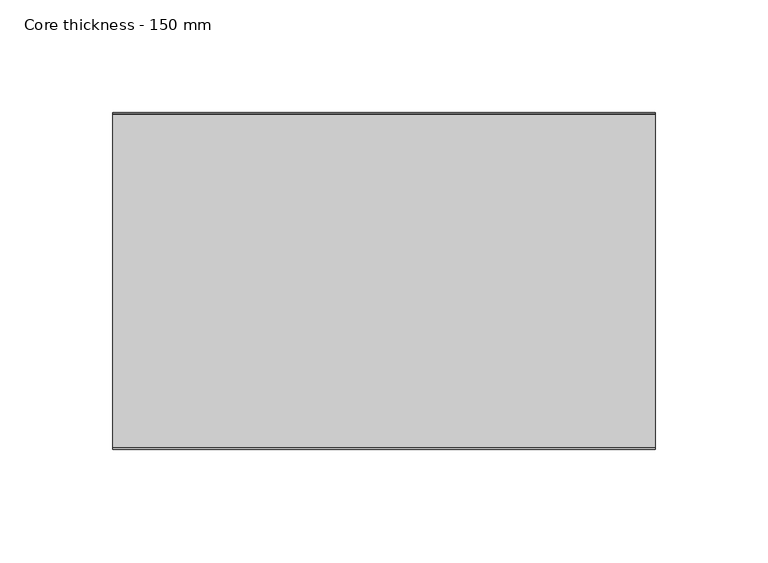
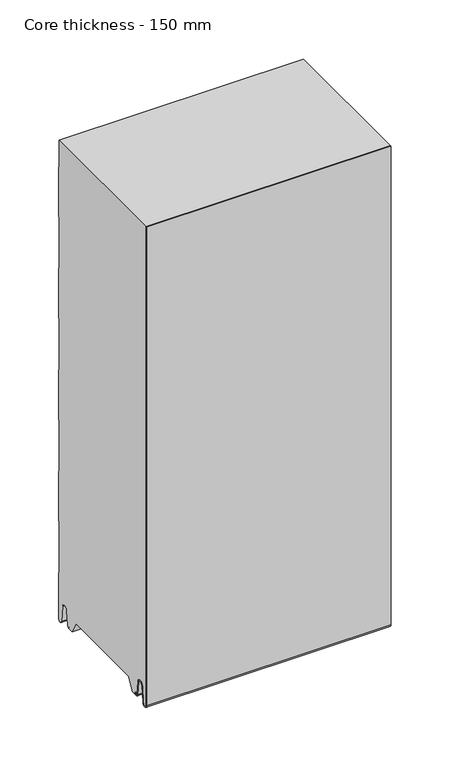
"""IFC4 building model written with IfcOpenShell, lengths in millimetres: plate geometry, Core thickness - 150 mm."""

from ifc_helpers import new_model, si_unit, frame, origin, place, context, project, spatial, polyline, circle_curve, source, transform, mapped, element, save
from ifc_brep_helpers import plane_surface, cylinder_surface, revolved_surface, advanced_brep


def core_thickness_150_mm_6f1057b2(model_context):
    return source(origin(), model_context, "Body", "AdvancedBrep", [
        advanced_brep(
        [(119.9999998, -149.9996949, 3.0900682), (119.9999998, -143.81449, 2.7875612), (119.9999998, -142.197116, 19.2828169), (119.9999998, -139.1776715, 21.9898782), (119.9999998, -136.1582271, 19.2828169), (119.9999998, -134.7725998, 5.1510966), (119.9999998, -130.3830995, 5.365779), (119.9999998, -131.1830995, 5.365779), (119.9999998, -133.9764178, 5.2291629), (119.9999998, -135.3620451, 19.3608832), (119.9999998, -139.1776715, 22.7899182), (119.9999998, -142.9932979, 19.3608832), (119.9999998, -144.6106719, 2.8656275), (119.9999998, -149.1996949, 3.0900682), (119.9999998, -149.2, 500.0), (119.9999998, -149.9996949, 500.0), (-119.9999998, -149.1996949, 3.0900682), (-119.9999998, -144.6106719, 2.8656275), (-119.9999998, -142.9932979, 19.3608832), (-119.9999998, -139.1776715, 22.7899182), (-119.9999998, -135.3620451, 19.3608832), (-119.9999998, -133.9764178, 5.2291629), (-119.9999998, -131.1830995, 5.365779), (-119.9999998, -130.3830995, 5.365779), (-119.9999998, -134.7725998, 5.1510966), (-119.9999998, -136.1582271, 19.2828169), (-119.9999998, -139.1776715, 21.9898782), (-119.9999998, -142.197116, 19.2828169), (-119.9999998, -143.81449, 2.7875612), (-119.9999998, -149.9996949, 3.0900682), (-119.9999998, -149.9996949, 500.0), (-119.9999998, -149.2, 500.0)],
        [
            (0, 1, circle_curve(frame((119.9999998, -146.8996949, 3.0900682), z_axis=(1.0, 0.0, 0.0), x_axis=(0.0, 0.0, -1.0)), 3.1)),
            (1, 2),
            (2, 3, circle_curve(frame((119.9999998, -139.2114338, 18.9900682), z_axis=(-1.0, 0.0, 0.0), x_axis=(0.0, 0.0, -1.0)), 3.0)),
            (3, 4, circle_curve(frame((119.9999998, -139.1439093, 18.9900682), z_axis=(-1.0, 0.0, 0.0), x_axis=(0.0, 0.0, -1.0)), 3.0)),
            (4, 5),
            (5, 6, circle_curve(frame((119.9999998, -132.5830995, 5.365779), z_axis=(1.0, 0.0, 0.0), x_axis=(0.0, 0.0, -1.0)), 2.2)),
            (6, 7),
            (7, 8, circle_curve(frame((119.9999998, -132.5830995, 5.365779), z_axis=(-1.0, 0.0, 0.0), x_axis=(0.0, 0.0, -1.0)), 1.4)),
            (8, 9),
            (9, 10, circle_curve(frame((119.9999998, -139.1439093, 18.9900682), z_axis=(1.0, 0.0, 0.0), x_axis=(0.0, 0.0, -1.0)), 3.8)),
            (10, 11, circle_curve(frame((119.9999998, -139.2114338, 18.9900682), z_axis=(1.0, 0.0, 0.0), x_axis=(0.0, 0.0, -1.0)), 3.8)),
            (11, 12),
            (12, 13, circle_curve(frame((119.9999998, -146.8996949, 3.0900682), z_axis=(-1.0, 0.0, 0.0), x_axis=(0.0, 0.0, -1.0)), 2.3)),
            (13, 14),
            (14, 15),
            (15, 0),
            (16, 17, circle_curve(frame((-119.9999998, -146.8996949, 3.0900682), z_axis=(1.0, 0.0, 0.0), x_axis=(0.0, 0.0, -1.0)), 2.3)),
            (17, 18),
            (18, 19, circle_curve(frame((-119.9999998, -139.2114338, 18.9900682), z_axis=(-1.0, 0.0, 0.0), x_axis=(0.0, 0.0, -1.0)), 3.8)),
            (19, 20, circle_curve(frame((-119.9999998, -139.1439093, 18.9900682), z_axis=(-1.0, 0.0, 0.0), x_axis=(0.0, 0.0, -1.0)), 3.8)),
            (20, 21),
            (21, 22, circle_curve(frame((-119.9999998, -132.5830995, 5.365779), z_axis=(1.0, 0.0, 0.0), x_axis=(0.0, 0.0, -1.0)), 1.4)),
            (22, 23),
            (23, 24, circle_curve(frame((-119.9999998, -132.5830995, 5.365779), z_axis=(-1.0, 0.0, 0.0), x_axis=(0.0, 0.0, -1.0)), 2.2)),
            (24, 25),
            (25, 26, circle_curve(frame((-119.9999998, -139.1439093, 18.9900682), z_axis=(1.0, 0.0, 0.0), x_axis=(0.0, 0.0, -1.0)), 3.0)),
            (26, 27, circle_curve(frame((-119.9999998, -139.2114338, 18.9900682), z_axis=(1.0, 0.0, 0.0), x_axis=(0.0, 0.0, -1.0)), 3.0)),
            (27, 28),
            (28, 29, circle_curve(frame((-119.9999998, -146.8996949, 3.0900682), z_axis=(-1.0, 0.0, 0.0), x_axis=(0.0, 0.0, -1.0)), 3.1)),
            (29, 30),
            (30, 31),
            (31, 16),
            (13, 16),
            (31, 14),
            (12, 17),
            (11, 18),
            (10, 19),
            (9, 20),
            (8, 21),
            (7, 22),
            (6, 23),
            (5, 24),
            (4, 25),
            (3, 26),
            (2, 27),
            (1, 28),
            (0, 29),
            (15, 30),
        ],
        [
            plane_surface(frame((119.9999998, -150.0, 0.0), z_axis=(1.0, 0.0, 0.0), x_axis=(0.0, 1.0, 0.0))),
            plane_surface(frame((-119.9999998, -150.0, 0.0), z_axis=(-1.0, 0.0, 0.0), x_axis=(0.0, 1.0, 0.0))),
            plane_surface(frame((119.9999998, -149.2, 3.0900682), z_axis=(0.0, 1.0, 0.0), x_axis=(-1.0, 0.0, 0.0))),
            revolved_surface(polyline([(-119.9999998, -146.8996949, 0.7900682000000003), (119.9999998, -146.8996949, 0.7900682000000003)]), (119.9999998, -146.8996949, 3.0900682), (-1.0, 0.0, 0.0)),
            plane_surface(frame((119.9999998, -142.9932979, 19.3608832), z_axis=(0.0, -0.9952273999818314, 0.09758289975914787), x_axis=(-1.0, 0.0, 0.0))),
            cylinder_surface(frame((119.9999998, -139.2114338, 18.9900682), z_axis=(1.0, 0.0, 0.0), x_axis=(0.0, 0.0, -1.0)), 3.8),
            cylinder_surface(frame((119.9999998, -139.1439093, 18.9900682), z_axis=(1.0, 0.0, 0.0), x_axis=(0.0, 0.0, -1.0)), 3.8),
            plane_surface(frame((119.9999998, -133.9764178, 5.2291629), z_axis=(0.0, 0.9952273999818297, 0.09758289975916531), x_axis=(-1.0, 0.0, 0.0))),
            revolved_surface(polyline([(-119.9999998, -132.5830995, 3.965779), (119.9999998, -132.5830995, 3.965779)]), (119.9999998, -132.5830995, 5.365779), (-1.0, 0.0, 0.0)),
            plane_surface(frame((119.9999998, -130.3830995, 5.365779), z_axis=(0.0, 0.0, 1.0), x_axis=(-1.0, 0.0, 0.0))),
            cylinder_surface(frame((119.9999998, -132.5830995, 5.365779), z_axis=(1.0, 0.0, 0.0), x_axis=(0.0, 0.0, -1.0)), 2.2),
            plane_surface(frame((119.9999998, -136.1582271, 19.2828169), z_axis=(0.0, -0.9952273999818296, -0.09758289975916527), x_axis=(-1.0, 0.0, 0.0))),
            revolved_surface(polyline([(-119.9999998, -139.1439093, 15.9900682), (119.9999998, -139.1439093, 15.9900682)]), (119.9999998, -139.1439093, 18.9900682), (-1.0, 0.0, 0.0)),
            revolved_surface(polyline([(-119.9999998, -139.2114338, 15.9900682), (119.9999998, -139.2114338, 15.9900682)]), (119.9999998, -139.2114338, 18.9900682), (-1.0, 0.0, 0.0)),
            plane_surface(frame((119.9999998, -143.81449, 2.7875612), z_axis=(0.0, 0.9952273999818314, -0.09758289975914787), x_axis=(-1.0, 0.0, 0.0))),
            cylinder_surface(frame((119.9999998, -146.8996949, 3.0900682), z_axis=(1.0, 0.0, 0.0), x_axis=(0.0, 0.0, -1.0)), 3.1),
            plane_surface(frame((119.9999998, -149.9996949, 993.9000005), z_axis=(0.0, -1.0, 0.0), x_axis=(-1.0, 0.0, 0.0))),
            plane_surface(frame((-119.9999998, 134.0533409, 500.0), z_axis=(0.0, 0.0, 1.0), x_axis=(1.0, 0.0, 0.0))),
        ],
        [
            (0, [[1, 2, 3, 4, 5, 6, 7, 8, 9, 10, 11, 12, 13, 14, 15, 16]]),
            (1, [[17, 18, 19, 20, 21, 22, 23, 24, 25, 26, 27, 28, 29, 30, 31, 32]]),
            (2, [[33, -32, 34, -14]]),
            (3, [[-13, 35, -17, -33]]),
            (4, [[-12, 36, -18, -35]]),
            (5, [[-11, 37, -19, -36]]),
            (6, [[-10, 38, -20, -37]]),
            (7, [[-9, 39, -21, -38]]),
            (8, [[-8, 40, -22, -39]]),
            (9, [[-7, 41, -23, -40]]),
            (10, [[-6, 42, -24, -41]]),
            (11, [[-5, 43, -25, -42]]),
            (12, [[-4, 44, -26, -43]]),
            (13, [[-3, 45, -27, -44]]),
            (14, [[-2, 46, -28, -45]]),
            (15, [[-1, 47, -29, -46]]),
            (16, [[-47, -16, 48, -30]]),
            (17, [[-15, -34, -31, -48]]),
        ],
    ),
        advanced_brep(
        [(119.9999998, -119.873448, 15.1417681), (119.9999998, -30.126552, 15.1417681), (119.9999998, -23.4071318, 3.165779), (119.9999998, -17.4169005, 3.165779), (119.9999998, -19.6169005, 5.365779), (119.9999998, -18.8169005, 5.365779), (119.9999998, -16.0235822, 5.2291629), (119.9999998, -14.6379549, 19.3608832), (119.9999998, -10.8223285, 22.7899182), (119.9999998, -7.0067021, 19.3608832), (119.9999998, -5.3893281, 2.8656275), (119.9999998, -0.8003051, 3.0900682), (119.9999998, -0.8, 49.9459237), (119.9999998, -1.0986697, 50.9973395), (119.9999998, -1.5003051, 52.4177205), (119.9999998, -1.5003051, 102.5775037), (119.9999998, -1.0971009, 103.9969151), (119.9999998, -0.8, 105.0493005), (119.9999998, -0.8, 155.2090837), (119.9999998, -1.0986697, 156.2604995), (119.9999998, -1.5003051, 157.6808805), (119.9999998, -1.5003051, 207.8406637), (119.9999998, -1.0971009, 209.2600751), (119.9999998, -0.8, 210.3124605), (119.9999998, -0.8, 260.4722437), (119.9999998, -1.0986697, 261.5236595), (119.9999998, -1.5003051, 262.9440405), (119.9999998, -1.5003051, 313.1038237), (119.9999998, -1.0971009, 314.5232351), (119.9999998, -0.8, 315.5756205), (119.9999998, -0.8, 365.7354037), (119.9999998, -1.0986697, 366.7868195), (119.9999998, -1.5003051, 368.2072005), (119.9999998, -1.5003051, 418.3669837), (119.9999998, -1.0971009, 419.7863951), (119.9999998, -0.8, 420.8387805), (119.9999998, -0.8, 470.9985637), (119.9999998, -1.0986697, 472.0499795), (119.9999998, -1.5003051, 473.4703605), (119.9999998, -1.5003051, 500.0), (119.9999998, -149.2, 500.0), (119.9999998, -149.2, 3.0900682), (119.9999998, -144.6106719, 2.8656275), (119.9999998, -142.9932979, 19.3608832), (119.9999998, -139.1776715, 22.7899182), (119.9999998, -135.3620451, 19.3608832), (119.9999998, -133.9764178, 5.2291629), (119.9999998, -131.1830995, 5.365779), (119.9999998, -130.3830995, 5.365779), (119.9999998, -132.5830995, 3.165779), (119.9999998, -126.5928682, 3.165779), (-119.9999998, -30.126552, 15.1417681), (-119.9999998, -119.873448, 15.1417681), (-119.9999998, -126.5928682, 3.165779), (-119.9999998, -132.5830995, 3.165779), (-119.9999998, -130.3830995, 5.365779), (-119.9999998, -131.1830995, 5.365779), (-119.9999998, -133.9764178, 5.2291629), (-119.9999998, -135.3620451, 19.3608832), (-119.9999998, -139.1776715, 22.7899182), (-119.9999998, -142.9932979, 19.3608832), (-119.9999998, -144.6106719, 2.8656275), (-119.9999998, -149.1996949, 3.0900682), (-119.9999998, -149.2, 500.0), (-119.9999998, -1.5003051, 500.0), (-119.9999998, -1.5003051, 473.4703605), (-119.9999998, -1.0971009, 472.0509491), (-119.9999998, -0.8, 470.9985637), (-119.9999998, -0.8, 420.8387805), (-119.9999998, -1.0986697, 419.7873646), (-119.9999998, -1.5003051, 418.3669837), (-119.9999998, -1.5003051, 368.2072005), (-119.9999998, -1.0971009, 366.7877891), (-119.9999998, -0.8, 365.7354037), (-119.9999998, -0.8, 315.5756205), (-119.9999998, -1.0986697, 314.5242046), (-119.9999998, -1.5003051, 313.1038237), (-119.9999998, -1.5003051, 262.9440405), (-119.9999998, -1.0971009, 261.5246291), (-119.9999998, -0.8, 260.4722437), (-119.9999998, -0.8, 210.3124605), (-119.9999998, -1.0986697, 209.2610446), (-119.9999998, -1.5003051, 207.8406637), (-119.9999998, -1.5003051, 157.6808805), (-119.9999998, -1.0971009, 156.2614691), (-119.9999998, -0.8, 155.2090837), (-119.9999998, -0.8, 105.0493005), (-119.9999998, -1.0986697, 103.9978846), (-119.9999998, -1.5003051, 102.5775037), (-119.9999998, -1.5003051, 52.4177205), (-119.9999998, -1.0971009, 50.9983091), (-119.9999998, -0.8, 49.9459237), (-119.9999998, -0.8, 3.0900682), (-119.9999998, -5.3893281, 2.8656275), (-119.9999998, -7.0067021, 19.3608832), (-119.9999998, -10.8223285, 22.7899182), (-119.9999998, -14.6379549, 19.3608832), (-119.9999998, -16.0235822, 5.2291629), (-119.9999998, -18.8169005, 5.365779), (-119.9999998, -19.6169005, 5.365779), (-119.9999998, -17.4169005, 3.165779), (-119.9999998, -23.4071318, 3.165779)],
        [
            (0, 1),
            (1, 2),
            (2, 3),
            (3, 4, circle_curve(frame((119.9999998, -17.4169005, 5.365779), z_axis=(-1.0, 0.0, 0.0), x_axis=(0.0, 0.0, -1.0)), 2.2)),
            (4, 5),
            (5, 6, circle_curve(frame((119.9999998, -17.4169005, 5.365779), z_axis=(1.0, 0.0, 0.0), x_axis=(0.0, 0.0, -1.0)), 1.4)),
            (6, 7),
            (7, 8, circle_curve(frame((119.9999998, -10.8560907, 18.9900682), z_axis=(-1.0, 0.0, 0.0), x_axis=(0.0, 0.0, -1.0)), 3.8)),
            (8, 9, circle_curve(frame((119.9999998, -10.7885662, 18.9900682), z_axis=(-1.0, 0.0, 0.0), x_axis=(0.0, 0.0, -1.0)), 3.8)),
            (9, 10),
            (10, 11, circle_curve(frame((119.9999998, -3.1003051, 3.0900682), z_axis=(1.0, 0.0, 0.0), x_axis=(0.0, 0.0, -1.0)), 2.3)),
            (11, 12),
            (12, 13, circle_curve(frame((119.9999998, -2.8, 49.9459237), z_axis=(1.0, 0.0, 0.0), x_axis=(0.0, 0.0, -1.0)), 2.0)),
            (13, 14, circle_curve(frame((119.9999998, 1.1996949, 52.4177205), z_axis=(-1.0, 0.0, 0.0), x_axis=(0.0, 0.0, -1.0)), 2.7)),
            (14, 15),
            (15, 16, circle_curve(frame((119.9999998, 1.1996949, 102.5775037), z_axis=(-1.0, 0.0, 0.0), x_axis=(0.0, 0.0, -1.0)), 2.7)),
            (16, 17, circle_curve(frame((119.9999998, -2.8, 105.0493005), z_axis=(1.0, 0.0, 0.0), x_axis=(0.0, 0.0, -1.0)), 2.0)),
            (17, 18),
            (18, 19, circle_curve(frame((119.9999998, -2.8, 155.2090837), z_axis=(1.0, 0.0, 0.0), x_axis=(0.0, 0.0, -1.0)), 2.0)),
            (19, 20, circle_curve(frame((119.9999998, 1.1996949, 157.6808805), z_axis=(-1.0, 0.0, 0.0), x_axis=(0.0, 0.0, -1.0)), 2.7)),
            (20, 21),
            (21, 22, circle_curve(frame((119.9999998, 1.1996949, 207.8406637), z_axis=(-1.0, 0.0, 0.0), x_axis=(0.0, 0.0, -1.0)), 2.7)),
            (22, 23, circle_curve(frame((119.9999998, -2.8, 210.3124605), z_axis=(1.0, 0.0, 0.0), x_axis=(0.0, 0.0, -1.0)), 2.0)),
            (23, 24),
            (24, 25, circle_curve(frame((119.9999998, -2.8, 260.4722437), z_axis=(1.0, 0.0, 0.0), x_axis=(0.0, 0.0, -1.0)), 2.0)),
            (25, 26, circle_curve(frame((119.9999998, 1.1996949, 262.9440405), z_axis=(-1.0, 0.0, 0.0), x_axis=(0.0, 0.0, -1.0)), 2.7)),
            (26, 27),
            (27, 28, circle_curve(frame((119.9999998, 1.1996949, 313.1038237), z_axis=(-1.0, 0.0, 0.0), x_axis=(0.0, 0.0, -1.0)), 2.7)),
            (28, 29, circle_curve(frame((119.9999998, -2.8, 315.5756205), z_axis=(1.0, 0.0, 0.0), x_axis=(0.0, 0.0, -1.0)), 2.0)),
            (29, 30),
            (30, 31, circle_curve(frame((119.9999998, -2.8, 365.7354037), z_axis=(1.0, 0.0, 0.0), x_axis=(0.0, 0.0, -1.0)), 2.0)),
            (31, 32, circle_curve(frame((119.9999998, 1.1996949, 368.2072005), z_axis=(-1.0, 0.0, 0.0), x_axis=(0.0, 0.0, -1.0)), 2.7)),
            (32, 33),
            (33, 34, circle_curve(frame((119.9999998, 1.1996949, 418.3669837), z_axis=(-1.0, 0.0, 0.0), x_axis=(0.0, 0.0, -1.0)), 2.7)),
            (34, 35, circle_curve(frame((119.9999998, -2.8, 420.8387805), z_axis=(1.0, 0.0, 0.0), x_axis=(0.0, 0.0, -1.0)), 2.0)),
            (35, 36),
            (36, 37, circle_curve(frame((119.9999998, -2.8, 470.9985637), z_axis=(1.0, 0.0, 0.0), x_axis=(0.0, 0.0, -1.0)), 2.0)),
            (37, 38, circle_curve(frame((119.9999998, 1.1996949, 473.4703605), z_axis=(-1.0, 0.0, 0.0), x_axis=(0.0, 0.0, -1.0)), 2.7)),
            (38, 39),
            (39, 40),
            (40, 41),
            (41, 42, circle_curve(frame((119.9999998, -146.8996949, 3.0900682), z_axis=(1.0, 0.0, 0.0), x_axis=(0.0, 0.0, -1.0)), 2.3)),
            (42, 43),
            (43, 44, circle_curve(frame((119.9999998, -139.2114338, 18.9900682), z_axis=(-1.0, 0.0, 0.0), x_axis=(0.0, 0.0, -1.0)), 3.8)),
            (44, 45, circle_curve(frame((119.9999998, -139.1439093, 18.9900682), z_axis=(-1.0, 0.0, 0.0), x_axis=(0.0, 0.0, -1.0)), 3.8)),
            (45, 46),
            (46, 47, circle_curve(frame((119.9999998, -132.5830995, 5.365779), z_axis=(1.0, 0.0, 0.0), x_axis=(0.0, 0.0, -1.0)), 1.4)),
            (47, 48),
            (48, 49, circle_curve(frame((119.9999998, -132.5830995, 5.365779), z_axis=(-1.0, 0.0, 0.0), x_axis=(0.0, 0.0, -1.0)), 2.2)),
            (49, 50),
            (50, 0),
            (51, 52),
            (52, 53),
            (53, 54),
            (54, 55, circle_curve(frame((-119.9999998, -132.5830995, 5.365779), z_axis=(1.0, 0.0, 0.0), x_axis=(0.0, 0.0, -1.0)), 2.2)),
            (55, 56),
            (56, 57, circle_curve(frame((-119.9999998, -132.5830995, 5.365779), z_axis=(-1.0, 0.0, 0.0), x_axis=(0.0, 0.0, -1.0)), 1.4)),
            (57, 58),
            (58, 59, circle_curve(frame((-119.9999998, -139.1439093, 18.9900682), z_axis=(1.0, 0.0, 0.0), x_axis=(0.0, 0.0, -1.0)), 3.8)),
            (59, 60, circle_curve(frame((-119.9999998, -139.2114338, 18.9900682), z_axis=(1.0, 0.0, 0.0), x_axis=(0.0, 0.0, -1.0)), 3.8)),
            (60, 61),
            (61, 62, circle_curve(frame((-119.9999998, -146.8996949, 3.0900682), z_axis=(-1.0, 0.0, 0.0), x_axis=(0.0, 0.0, -1.0)), 2.3)),
            (62, 63),
            (63, 64),
            (64, 65),
            (65, 66, circle_curve(frame((-119.9999998, 1.1996949, 473.4703605), z_axis=(1.0, 0.0, 0.0), x_axis=(0.0, 0.0, -1.0)), 2.7)),
            (66, 67, circle_curve(frame((-119.9999998, -2.8, 470.9985637), z_axis=(-1.0, 0.0, 0.0), x_axis=(0.0, 0.0, -1.0)), 2.0)),
            (67, 68),
            (68, 69, circle_curve(frame((-119.9999998, -2.8, 420.8387805), z_axis=(-1.0, 0.0, 0.0), x_axis=(0.0, 0.0, -1.0)), 2.0)),
            (69, 70, circle_curve(frame((-119.9999998, 1.1996949, 418.3669837), z_axis=(1.0, 0.0, 0.0), x_axis=(0.0, 0.0, -1.0)), 2.7)),
            (70, 71),
            (71, 72, circle_curve(frame((-119.9999998, 1.1996949, 368.2072005), z_axis=(1.0, 0.0, 0.0), x_axis=(0.0, 0.0, -1.0)), 2.7)),
            (72, 73, circle_curve(frame((-119.9999998, -2.8, 365.7354037), z_axis=(-1.0, 0.0, 0.0), x_axis=(0.0, 0.0, -1.0)), 2.0)),
            (73, 74),
            (74, 75, circle_curve(frame((-119.9999998, -2.8, 315.5756205), z_axis=(-1.0, 0.0, 0.0), x_axis=(0.0, 0.0, -1.0)), 2.0)),
            (75, 76, circle_curve(frame((-119.9999998, 1.1996949, 313.1038237), z_axis=(1.0, 0.0, 0.0), x_axis=(0.0, 0.0, -1.0)), 2.7)),
            (76, 77),
            (77, 78, circle_curve(frame((-119.9999998, 1.1996949, 262.9440405), z_axis=(1.0, 0.0, 0.0), x_axis=(0.0, 0.0, -1.0)), 2.7)),
            (78, 79, circle_curve(frame((-119.9999998, -2.8, 260.4722437), z_axis=(-1.0, 0.0, 0.0), x_axis=(0.0, 0.0, -1.0)), 2.0)),
            (79, 80),
            (80, 81, circle_curve(frame((-119.9999998, -2.8, 210.3124605), z_axis=(-1.0, 0.0, 0.0), x_axis=(0.0, 0.0, -1.0)), 2.0)),
            (81, 82, circle_curve(frame((-119.9999998, 1.1996949, 207.8406637), z_axis=(1.0, 0.0, 0.0), x_axis=(0.0, 0.0, -1.0)), 2.7)),
            (82, 83),
            (83, 84, circle_curve(frame((-119.9999998, 1.1996949, 157.6808805), z_axis=(1.0, 0.0, 0.0), x_axis=(0.0, 0.0, -1.0)), 2.7)),
            (84, 85, circle_curve(frame((-119.9999998, -2.8, 155.2090837), z_axis=(-1.0, 0.0, 0.0), x_axis=(0.0, 0.0, -1.0)), 2.0)),
            (85, 86),
            (86, 87, circle_curve(frame((-119.9999998, -2.8, 105.0493005), z_axis=(-1.0, 0.0, 0.0), x_axis=(0.0, 0.0, -1.0)), 2.0)),
            (87, 88, circle_curve(frame((-119.9999998, 1.1996949, 102.5775037), z_axis=(1.0, 0.0, 0.0), x_axis=(0.0, 0.0, -1.0)), 2.7)),
            (88, 89),
            (89, 90, circle_curve(frame((-119.9999998, 1.1996949, 52.4177205), z_axis=(1.0, 0.0, 0.0), x_axis=(0.0, 0.0, -1.0)), 2.7)),
            (90, 91, circle_curve(frame((-119.9999998, -2.8, 49.9459237), z_axis=(-1.0, 0.0, 0.0), x_axis=(0.0, 0.0, -1.0)), 2.0)),
            (91, 92),
            (92, 93, circle_curve(frame((-119.9999998, -3.1003051, 3.0900682), z_axis=(-1.0, 0.0, 0.0), x_axis=(0.0, 0.0, -1.0)), 2.3)),
            (93, 94),
            (94, 95, circle_curve(frame((-119.9999998, -10.7885662, 18.9900682), z_axis=(1.0, 0.0, 0.0), x_axis=(0.0, 0.0, -1.0)), 3.8)),
            (95, 96, circle_curve(frame((-119.9999998, -10.8560907, 18.9900682), z_axis=(1.0, 0.0, 0.0), x_axis=(0.0, 0.0, -1.0)), 3.8)),
            (96, 97),
            (97, 98, circle_curve(frame((-119.9999998, -17.4169005, 5.365779), z_axis=(-1.0, 0.0, 0.0), x_axis=(0.0, 0.0, -1.0)), 1.4)),
            (98, 99),
            (99, 100, circle_curve(frame((-119.9999998, -17.4169005, 5.365779), z_axis=(1.0, 0.0, 0.0), x_axis=(0.0, 0.0, -1.0)), 2.2)),
            (100, 101),
            (101, 51),
            (1, 51),
            (101, 2),
            (0, 52),
            (50, 53),
            (99, 4),
            (3, 100),
            (98, 5),
            (97, 6),
            (96, 7),
            (95, 8),
            (94, 9),
            (93, 10),
            (92, 11),
            (91, 12),
            (90, 13),
            (89, 14),
            (88, 15),
            (87, 16),
            (86, 17),
            (85, 18),
            (84, 19),
            (83, 20),
            (82, 21),
            (81, 22),
            (80, 23),
            (79, 24),
            (78, 25),
            (77, 26),
            (76, 27),
            (75, 28),
            (74, 29),
            (73, 30),
            (72, 31),
            (71, 32),
            (70, 33),
            (69, 34),
            (68, 35),
            (67, 36),
            (66, 37),
            (65, 38),
            (64, 39),
            (62, 41),
            (40, 63),
            (61, 42),
            (60, 43),
            (59, 44),
            (58, 45),
            (57, 46),
            (56, 47),
            (55, 48),
            (54, 49),
        ],
        [
            plane_surface(frame((119.9999998, 0.0, 0.0), z_axis=(1.0, 0.0, 0.0), x_axis=(0.0, -1.0, 0.0))),
            plane_surface(frame((-119.9999998, 0.0, 0.0), z_axis=(-1.0, 0.0, 0.0), x_axis=(0.0, -1.0, 0.0))),
            plane_surface(frame((119.9999998, -30.126552, 15.1417681), z_axis=(0.0, -0.8721062992196836, -0.4893164649399687), x_axis=(-1.0, 0.0, 0.0))),
            plane_surface(frame((119.9999998, -119.873448, 15.1417681), z_axis=(0.0, 0.0, -1.0), x_axis=(-1.0, 0.0, 0.0))),
            plane_surface(frame((119.9999998, -126.8190247, 2.7627014), z_axis=(0.0, 0.8721062992196852, -0.48931646493996606), x_axis=(-1.0, 0.0, 0.0))),
            revolved_surface(polyline([(119.99999980000001, -17.4169005, 3.1657789999999997), (-119.99999980000001, -17.4169005, 3.1657789999999997)]), (249.9999998, -17.4169005, 5.365779), (1.0, 0.0, 0.0)),
            plane_surface(frame((249.9999998, -18.8169005, 5.365779), z_axis=(0.0, 0.0, -1.0), x_axis=(-1.0, 0.0, 0.0))),
            cylinder_surface(frame((249.9999998, -17.4169005, 5.365779), z_axis=(-1.0, 0.0, 0.0), x_axis=(0.0, 0.0, -1.0)), 1.4),
            plane_surface(frame((249.9999998, -14.6379549, 19.3608832), z_axis=(0.0, 0.9952273999818297, -0.09758289975916531), x_axis=(-1.0, 0.0, 0.0))),
            revolved_surface(polyline([(119.99999980000001, -10.8560907, 15.190068199999999), (-119.99999980000001, -10.8560907, 15.190068199999999)]), (249.9999998, -10.8560907, 18.9900682), (1.0, 0.0, 0.0)),
            revolved_surface(polyline([(119.99999980000001, -10.7885662, 15.190068199999999), (-119.99999980000001, -10.7885662, 15.190068199999999)]), (249.9999998, -10.7885662, 18.9900682), (1.0, 0.0, 0.0)),
            plane_surface(frame((249.9999998, -5.3893281, 2.8656275), z_axis=(0.0, -0.9952273999818314, -0.09758289975914787), x_axis=(-1.0, 0.0, 0.0))),
            cylinder_surface(frame((249.9999998, -3.1003051, 3.0900682), z_axis=(-1.0, 0.0, 0.0), x_axis=(0.0, 0.0, -1.0)), 2.3),
            plane_surface(frame((249.9999998, -0.8, 49.9459237), z_axis=(0.0, 1.0, 0.0), x_axis=(-1.0, 0.0, 0.0))),
            cylinder_surface(frame((249.9999998, -2.8, 49.9459237), z_axis=(-1.0, 0.0, 0.0), x_axis=(0.0, 0.0, -1.0)), 2.0),
            revolved_surface(polyline([(119.99999980000001, 1.1996949, 49.7177205), (-119.99999980000001, 1.1996949, 49.7177205)]), (249.9999998, 1.1996949, 52.4177205), (1.0, 0.0, 0.0)),
            plane_surface(frame((249.9999998, -1.5003051, 102.5775037), z_axis=(0.0, 1.0, 0.0), x_axis=(-1.0, 0.0, 0.0))),
            revolved_surface(polyline([(119.99999980000001, 1.1996949, 99.87750369999999), (-119.99999980000001, 1.1996949, 99.87750369999999)]), (249.9999998, 1.1996949, 102.5775037), (1.0, 0.0, 0.0)),
            cylinder_surface(frame((249.9999998, -2.8, 105.0493005), z_axis=(-1.0, 0.0, 0.0), x_axis=(0.0, 0.0, -1.0)), 2.0),
            plane_surface(frame((249.9999998, -0.8, 155.2090837), z_axis=(0.0, 1.0, 0.0), x_axis=(-1.0, 0.0, 0.0))),
            cylinder_surface(frame((249.9999998, -2.8, 155.2090837), z_axis=(-1.0, 0.0, 0.0), x_axis=(0.0, 0.0, -1.0)), 2.0),
            revolved_surface(polyline([(119.99999980000001, 1.1996949, 154.9808805), (-119.99999980000001, 1.1996949, 154.9808805)]), (249.9999998, 1.1996949, 157.6808805), (1.0, 0.0, 0.0)),
            plane_surface(frame((249.9999998, -1.5003051, 207.8406637), z_axis=(0.0, 1.0, 0.0), x_axis=(-1.0, 0.0, 0.0))),
            revolved_surface(polyline([(119.99999980000001, 1.1996949, 205.1406637), (-119.99999980000001, 1.1996949, 205.1406637)]), (249.9999998, 1.1996949, 207.8406637), (1.0, 0.0, 0.0)),
            cylinder_surface(frame((249.9999998, -2.8, 210.3124605), z_axis=(-1.0, 0.0, 0.0), x_axis=(0.0, 0.0, -1.0)), 2.0),
            plane_surface(frame((249.9999998, -0.8, 260.4722437), z_axis=(0.0, 1.0, 0.0), x_axis=(-1.0, 0.0, 0.0))),
            cylinder_surface(frame((249.9999998, -2.8, 260.4722437), z_axis=(-1.0, 0.0, 0.0), x_axis=(0.0, 0.0, -1.0)), 2.0),
            revolved_surface(polyline([(119.99999980000001, 1.1996949, 260.24404050000004), (-119.99999980000001, 1.1996949, 260.24404050000004)]), (249.9999998, 1.1996949, 262.9440405), (1.0, 0.0, 0.0)),
            plane_surface(frame((249.9999998, -1.5003051, 313.1038237), z_axis=(0.0, 1.0, 0.0), x_axis=(-1.0, 0.0, 0.0))),
            revolved_surface(polyline([(119.99999980000001, 1.1996949, 310.40382370000003), (-119.99999980000001, 1.1996949, 310.40382370000003)]), (249.9999998, 1.1996949, 313.1038237), (1.0, 0.0, 0.0)),
            cylinder_surface(frame((249.9999998, -2.8, 315.5756205), z_axis=(-1.0, 0.0, 0.0), x_axis=(0.0, 0.0, -1.0)), 2.0),
            plane_surface(frame((249.9999998, -0.8, 365.7354037), z_axis=(0.0, 1.0, 0.0), x_axis=(-1.0, 0.0, 0.0))),
            cylinder_surface(frame((249.9999998, -2.8, 365.7354037), z_axis=(-1.0, 0.0, 0.0), x_axis=(0.0, 0.0, -1.0)), 2.0),
            revolved_surface(polyline([(119.99999980000001, 1.1996949, 365.5072005), (-119.99999980000001, 1.1996949, 365.5072005)]), (249.9999998, 1.1996949, 368.2072005), (1.0, 0.0, 0.0)),
            plane_surface(frame((249.9999998, -1.5003051, 418.3669837), z_axis=(0.0, 1.0, 0.0), x_axis=(-1.0, 0.0, 0.0))),
            revolved_surface(polyline([(119.99999980000001, 1.1996949, 415.6669837), (-119.99999980000001, 1.1996949, 415.6669837)]), (249.9999998, 1.1996949, 418.3669837), (1.0, 0.0, 0.0)),
            cylinder_surface(frame((249.9999998, -2.8, 420.8387805), z_axis=(-1.0, 0.0, 0.0), x_axis=(0.0, 0.0, -1.0)), 2.0),
            plane_surface(frame((249.9999998, -0.8, 470.9985637), z_axis=(0.0, 1.0, 0.0), x_axis=(-1.0, 0.0, 0.0))),
            cylinder_surface(frame((249.9999998, -2.8, 470.9985637), z_axis=(-1.0, 0.0, 0.0), x_axis=(0.0, 0.0, -1.0)), 2.0),
            revolved_surface(polyline([(119.99999980000001, 1.1996949, 470.77036050000004), (-119.99999980000001, 1.1996949, 470.77036050000004)]), (249.9999998, 1.1996949, 473.4703605), (1.0, 0.0, 0.0)),
            plane_surface(frame((249.9999998, -1.5003051, 523.6301437), z_axis=(0.0, 1.0, 0.0), x_axis=(-1.0, 0.0, 0.0))),
            plane_surface(frame((249.9999998, -149.2, 3.0900682), z_axis=(0.0, -1.0, 0.0), x_axis=(-1.0, 0.0, 0.0))),
            cylinder_surface(frame((249.9999998, -146.8996949, 3.0900682), z_axis=(-1.0, 0.0, 0.0), x_axis=(0.0, 0.0, -1.0)), 2.3),
            plane_surface(frame((249.9999998, -142.9932979, 19.3608832), z_axis=(0.0, 0.9952273999818314, -0.09758289975914787), x_axis=(-1.0, 0.0, 0.0))),
            revolved_surface(polyline([(119.99999980000001, -139.2114338, 15.190068199999999), (-119.99999980000001, -139.2114338, 15.190068199999999)]), (249.9999998, -139.2114338, 18.9900682), (1.0, 0.0, 0.0)),
            revolved_surface(polyline([(119.99999980000001, -139.1439093, 15.190068199999999), (-119.99999980000001, -139.1439093, 15.190068199999999)]), (249.9999998, -139.1439093, 18.9900682), (1.0, 0.0, 0.0)),
            plane_surface(frame((249.9999998, -133.9764178, 5.2291629), z_axis=(0.0, -0.9952273999818297, -0.09758289975916531), x_axis=(-1.0, 0.0, 0.0))),
            cylinder_surface(frame((249.9999998, -132.5830995, 5.365779), z_axis=(-1.0, 0.0, 0.0), x_axis=(0.0, 0.0, -1.0)), 1.4),
            plane_surface(frame((249.9999998, -130.3830995, 5.365779), z_axis=(0.0, 0.0, -1.0), x_axis=(-1.0, 0.0, 0.0))),
            revolved_surface(polyline([(119.99999980000001, -132.5830995, 3.1657789999999997), (-119.99999980000001, -132.5830995, 3.1657789999999997)]), (249.9999998, -132.5830995, 5.365779), (1.0, 0.0, 0.0)),
            plane_surface(frame((-119.9999998, -132.5830995, 3.165779), z_axis=(0.0, 0.0, -1.0), x_axis=(1.0, 0.0, 0.0))),
            plane_surface(frame((-119.9999998, 134.0533409, 500.0), z_axis=(0.0, 0.0, 1.0), x_axis=(1.0, 0.0, 0.0))),
        ],
        [
            (0, [[1, 2, 3, 4, 5, 6, 7, 8, 9, 10, 11, 12, 13, 14, 15, 16, 17, 18, 19, 20, 21, 22, 23, 24, 25, 26, 27, 28, 29, 30, 31, 32, 33, 34, 35, 36, 37, 38, 39, 40, 41, 42, 43, 44, 45, 46, 47, 48, 49, 50, 51]]),
            (1, [[52, 53, 54, 55, 56, 57, 58, 59, 60, 61, 62, 63, 64, 65, 66, 67, 68, 69, 70, 71, 72, 73, 74, 75, 76, 77, 78, 79, 80, 81, 82, 83, 84, 85, 86, 87, 88, 89, 90, 91, 92, 93, 94, 95, 96, 97, 98, 99, 100, 101, 102]]),
            (2, [[103, -102, 104, -2]]),
            (3, [[-1, 105, -52, -103]]),
            (4, [[-105, -51, 106, -53]]),
            (5, [[107, -4, 108, -100]]),
            (6, [[-107, -99, 109, -5]]),
            (7, [[-109, -98, 110, -6]]),
            (8, [[-110, -97, 111, -7]]),
            (9, [[-111, -96, 112, -8]]),
            (10, [[-112, -95, 113, -9]]),
            (11, [[-113, -94, 114, -10]]),
            (12, [[-114, -93, 115, -11]]),
            (13, [[-115, -92, 116, -12]]),
            (14, [[-116, -91, 117, -13]]),
            (15, [[-117, -90, 118, -14]]),
            (16, [[-118, -89, 119, -15]]),
            (17, [[-119, -88, 120, -16]]),
            (18, [[-120, -87, 121, -17]]),
            (19, [[-121, -86, 122, -18]]),
            (20, [[-122, -85, 123, -19]]),
            (21, [[-123, -84, 124, -20]]),
            (22, [[-124, -83, 125, -21]]),
            (23, [[-125, -82, 126, -22]]),
            (24, [[-126, -81, 127, -23]]),
            (25, [[-127, -80, 128, -24]]),
            (26, [[-128, -79, 129, -25]]),
            (27, [[-129, -78, 130, -26]]),
            (28, [[-130, -77, 131, -27]]),
            (29, [[-131, -76, 132, -28]]),
            (30, [[-132, -75, 133, -29]]),
            (31, [[-133, -74, 134, -30]]),
            (32, [[-134, -73, 135, -31]]),
            (33, [[-135, -72, 136, -32]]),
            (34, [[-136, -71, 137, -33]]),
            (35, [[-137, -70, 138, -34]]),
            (36, [[-138, -69, 139, -35]]),
            (37, [[-139, -68, 140, -36]]),
            (38, [[-140, -67, 141, -37]]),
            (39, [[-141, -66, 142, -38]]),
            (40, [[-142, -65, 143, -39]]),
            (41, [[144, -41, 145, -63]]),
            (42, [[-144, -62, 146, -42]]),
            (43, [[-146, -61, 147, -43]]),
            (44, [[-147, -60, 148, -44]]),
            (45, [[-148, -59, 149, -45]]),
            (46, [[-149, -58, 150, -46]]),
            (47, [[-150, -57, 151, -47]]),
            (48, [[-151, -56, 152, -48]]),
            (49, [[-152, -55, 153, -49]]),
            (50, [[-3, -104, -101, -108]]),
            (50, [[-50, -153, -54, -106]]),
            (51, [[-143, -64, -145, -40]]),
        ],
    ),
    ])


if __name__ == "__main__":
    model = new_model("IFC4")
    model_context = context("Model", 3, world=origin())
    ifc_project = project(units=[si_unit("LENGTHUNIT", "METRE", prefix="MILLI")], contexts=[model_context])
    site = spatial("IfcSite", under=ifc_project)
    building = spatial("IfcBuilding", under=site)
    placement = place(None, origin())
    core_thickness_150_mm_shape = core_thickness_150_mm_6f1057b2(model_context)
    element("IfcPlate", 1, ObjectType="Core thickness - 150 mm", at=placement, inside=building, context=model_context, shape_type="MappedRepresentation", body=[
        mapped(core_thickness_150_mm_shape, transform((0.0, 0.0, 0.0), x_axis=(1.0, 0.0, 0.0), y_axis=(0.0, 1.0, 0.0), z_axis=(0.0, 0.0, 1.0))),
    ])
    save(model, "model.ifc")
